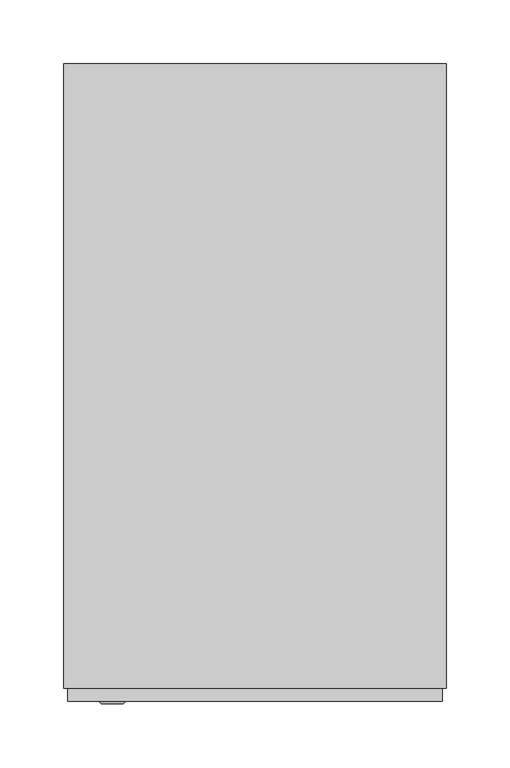
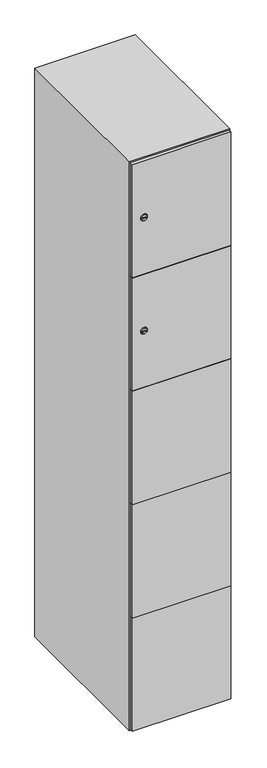
"""IFC4 building model written with IfcOpenShell, lengths in millimetres: furniture geometry."""

from ifc_helpers import new_model, si_unit, point, frame, frame_2d, origin, place, context, project, spatial, polyline, circle_curve, trimmed, segment, composite_curve, outline, extrude, faceted_brep, source, transform, mapped, element, save
from ifc_brep_helpers import plane_surface, revolved_surface, advanced_brep


def furniture_93ae1f44(model_context):
    return source(origin(), model_context, "Body", "SolidModel", [
        advanced_brep(
        [(-153.5, -257.2, 1358.8), (-170.5, -257.2, 1358.8), (-167.0, -257.2, 1357.55), (-167.0, -257.2, 1360.05), (-157.0, -257.2, 1360.05), (-157.0, -257.2, 1357.55), (-151.5, -255.0, 1358.8), (-172.5, -255.0, 1358.8), (-167.0, -255.0, 1360.05), (-167.0, -255.0, 1357.55), (-157.0, -255.0, 1357.55), (-157.0, -255.0, 1360.05)],
        [
            (0, 1, circle_curve(frame((-162.0, -257.2, 1358.8), z_axis=(0.0, -1.0, 0.0), x_axis=(1.0, 0.0, 0.0)), 8.5)),
            (1, 0, circle_curve(frame((-162.0, -257.2, 1358.8), z_axis=(0.0, -1.0, 0.0), x_axis=(-1.0, 0.0, 0.0)), 8.5)),
            (2, 3),
            (3, 4),
            (4, 5),
            (5, 2),
            (6, 7, circle_curve(frame((-162.0, -255.0, 1358.8), z_axis=(0.0, 1.0, 0.0), x_axis=(-1.0, 0.0, 0.0)), 10.5)),
            (7, 6, circle_curve(frame((-162.0, -255.0, 1358.8), z_axis=(0.0, 1.0, 0.0), x_axis=(1.0, 0.0, 0.0)), 10.5)),
            (8, 9),
            (9, 10),
            (10, 11),
            (11, 8),
            (0, 6),
            (7, 1),
            (8, 3),
            (2, 9),
            (11, 4),
            (10, 5),
        ],
        [
            plane_surface(frame((-162.0, -257.2, 1358.8), z_axis=(0.0, -1.0, 0.0), x_axis=(0.0, 0.0, 1.0))),
            plane_surface(frame((-162.0, -255.0, 1358.8), z_axis=(0.0, 1.0, 0.0), x_axis=(0.0, 0.0, 1.0))),
            revolved_surface(polyline([(-153.5, -257.2, 1358.8), (-151.5, -255.0, 1358.8)]), (-162.0, -266.55, 1358.8), (0.0, 1.0, 0.0)),
            revolved_surface(polyline([(-170.5, -257.2, 1358.8), (-172.5, -255.0, 1358.8)]), (-162.0, -266.55, 1358.8), (0.0, 1.0, 0.0)),
            plane_surface(frame((-167.0, -255.0, 1357.55), z_axis=(1.0, 0.0, 0.0), x_axis=(0.0, -1.0, 0.0))),
            plane_surface(frame((-167.0, -255.0, 1360.05), z_axis=(0.0, 0.0, -1.0), x_axis=(0.0, -1.0, 0.0))),
            plane_surface(frame((-157.0, -255.0, 1360.05), z_axis=(-1.0, 0.0, 0.0), x_axis=(0.0, -1.0, 0.0))),
            plane_surface(frame((-157.0, -255.0, 1357.55), z_axis=(0.0, 0.0, 1.0), x_axis=(0.0, -1.0, 0.0))),
        ],
        [
            (0, [[1, 2], [3, 4, 5, 6]]),
            (1, [[7, 8], [9, 10, 11, 12]]),
            (2, [[-1, 13, -8, 14]]),
            (3, [[-2, -14, -7, -13]]),
            (4, [[15, -3, 16, -9]]),
            (5, [[-15, -12, 17, -4]]),
            (6, [[-17, -11, 18, -5]]),
            (7, [[-16, -6, -18, -10]]),
        ],
    ),
        extrude(outline(composite_curve([segment(trimmed(circle_curve(frame_2d((1717.6, -188.7989466)), 7.0), [point((1724.6, -188.7989466))], [point((1710.6, -188.7989466))], False, "CARTESIAN"), True, "CONTINUOUS"), segment(polyline([(1710.6, -188.7989466), (1710.6, -160.7989466)]), True, "CONTINUOUS"), segment(trimmed(circle_curve(frame_2d((1717.6, -160.7989466)), 7.0), [point((1710.6, -160.7989466))], [point((1724.6, -160.7989466))], False, "CARTESIAN"), True, "CONTINUOUS"), segment(polyline([(1724.6, -160.7989466), (1724.6, -188.7989466)]), True, "CONTINUOUS")], self_intersect=False)), frame((0.0, -245.0, 0.0), z_axis=(0.0, 1.0, 0.0), x_axis=(0.0, 0.0, 1.0)), (0.0, 0.0, 1.0), 2.0),
        advanced_brep(
        [(-153.5, -257.2, 1717.6), (-170.5, -257.2, 1717.6), (-167.0, -257.2, 1716.35), (-167.0, -257.2, 1718.85), (-157.0, -257.2, 1718.85), (-157.0, -257.2, 1716.35), (-151.5, -255.0, 1717.6), (-172.5, -255.0, 1717.6), (-167.0, -255.0, 1718.85), (-167.0, -255.0, 1716.35), (-157.0, -255.0, 1716.35), (-157.0, -255.0, 1718.85)],
        [
            (0, 1, circle_curve(frame((-162.0, -257.2, 1717.6), z_axis=(0.0, -1.0, 0.0), x_axis=(1.0, 0.0, 0.0)), 8.5)),
            (1, 0, circle_curve(frame((-162.0, -257.2, 1717.6), z_axis=(0.0, -1.0, 0.0), x_axis=(-1.0, 0.0, 0.0)), 8.5)),
            (2, 3),
            (3, 4),
            (4, 5),
            (5, 2),
            (6, 7, circle_curve(frame((-162.0, -255.0, 1717.6), z_axis=(0.0, 1.0, 0.0), x_axis=(-1.0, 0.0, 0.0)), 10.5)),
            (7, 6, circle_curve(frame((-162.0, -255.0, 1717.6), z_axis=(0.0, 1.0, 0.0), x_axis=(1.0, 0.0, 0.0)), 10.5)),
            (8, 9),
            (9, 10),
            (10, 11),
            (11, 8),
            (0, 6),
            (7, 1),
            (8, 3),
            (2, 9),
            (11, 4),
            (10, 5),
        ],
        [
            plane_surface(frame((-162.0, -257.2, 1717.6), z_axis=(0.0, -1.0, 0.0), x_axis=(0.0, 0.0, 1.0))),
            plane_surface(frame((-162.0, -255.0, 1717.6), z_axis=(0.0, 1.0, 0.0), x_axis=(0.0, 0.0, 1.0))),
            revolved_surface(polyline([(-153.5, -257.2, 1717.6), (-151.5, -255.0, 1717.6)]), (-162.0, -266.55, 1717.6), (0.0, 1.0, 0.0)),
            revolved_surface(polyline([(-170.5, -257.2, 1717.6), (-172.5, -255.0, 1717.6)]), (-162.0, -266.55, 1717.6), (0.0, 1.0, 0.0)),
            plane_surface(frame((-167.0, -255.0, 1716.35), z_axis=(1.0, 0.0, 0.0), x_axis=(0.0, -1.0, 0.0))),
            plane_surface(frame((-167.0, -255.0, 1718.85), z_axis=(0.0, 0.0, -1.0), x_axis=(0.0, -1.0, 0.0))),
            plane_surface(frame((-157.0, -255.0, 1718.85), z_axis=(-1.0, 0.0, 0.0), x_axis=(0.0, -1.0, 0.0))),
            plane_surface(frame((-157.0, -255.0, 1716.35), z_axis=(0.0, 0.0, 1.0), x_axis=(0.0, -1.0, 0.0))),
        ],
        [
            (0, [[1, 2], [3, 4, 5, 6]]),
            (1, [[7, 8], [9, 10, 11, 12]]),
            (2, [[-1, 13, -8, 14]]),
            (3, [[-2, -14, -7, -13]]),
            (4, [[15, -3, 16, -9]]),
            (5, [[-15, -12, 17, -4]]),
            (6, [[-17, -11, 18, -5]]),
            (7, [[-16, -6, -18, -10]]),
        ],
    ),
        extrude(outline(polyline([(97.0, -245.0), (97.0, -255.0), (-197.0, -255.0), (-197.0, -245.0), (97.0, -245.0)])), frame((0.0, 0.0, 820.1), z_axis=(0.0, 0.0, 1.0), x_axis=(1.0, 0.0, 0.0)), (0.0, 0.0, 1.0), 359.8),
        extrude(outline(polyline([(97.0, -245.0), (97.0, -255.0), (-197.0, -255.0), (-197.0, -245.0), (97.0, -245.0)])), frame((0.0, 0.0, 461.3), z_axis=(0.0, 0.0, 1.0), x_axis=(1.0, 0.0, 0.0)), (0.0, 0.0, 1.0), 359.8),
        extrude(outline(polyline([(97.0, -245.0), (97.0, -255.0), (-197.0, -255.0), (-197.0, -245.0), (97.0, -245.0)])), frame((0.0, 0.0, 1178.9), z_axis=(0.0, 0.0, 1.0), x_axis=(1.0, 0.0, 0.0)), (0.0, 0.0, 1.0), 358.8),
        extrude(outline(polyline([(-197.0, -255.0), (-197.0, -245.0), (97.0, -245.0), (97.0, -255.0), (-197.0, -255.0)])), frame((0.0, 0.0, 1538.7), z_axis=(0.0, 0.0, 1.0), x_axis=(1.0, 0.0, 0.0)), (0.0, 0.0, 1.0), 358.3),
        extrude(outline(polyline([(97.0, -245.0), (97.0, -255.0), (-197.0, -255.0), (-197.0, -245.0), (97.0, -245.0)])), frame((0.0, 0.0, 103.0), z_axis=(0.0, 0.0, 1.0), x_axis=(1.0, 0.0, 0.0)), (0.0, 0.0, 1.0), 359.3),
        extrude(outline(polyline([(90.0, 241.0), (90.0, -235.0), (-190.0, -235.0), (-190.0, 241.0), (90.0, 241.0)])), frame((0.0, 0.0, 1529.0), z_axis=(0.0, 0.0, 1.0), x_axis=(1.0, 0.0, 0.0)), (0.0, 0.0, 1.0), 10.0),
        extrude(outline(polyline([(90.0, 241.0), (90.0, -235.0), (-190.0, -235.0), (-190.0, 241.0), (90.0, 241.0)])), frame((0.0, 0.0, 1173.0), z_axis=(0.0, 0.0, 1.0), x_axis=(1.0, 0.0, 0.0)), (0.0, 0.0, 1.0), 10.0),
        extrude(outline(polyline([(90.0, 241.0), (90.0, -235.0), (-190.0, -235.0), (-190.0, 241.0), (90.0, 241.0)])), frame((0.0, 0.0, 817.0), z_axis=(0.0, 0.0, 1.0), x_axis=(1.0, 0.0, 0.0)), (0.0, 0.0, 1.0), 10.0),
        extrude(outline(polyline([(-190.0, 241.0), (90.0, 241.0), (90.0, -235.0), (-190.0, -235.0), (-190.0, 241.0)])), frame((0.0, 0.0, 461.0), z_axis=(0.0, 0.0, 1.0), x_axis=(1.0, 0.0, 0.0)), (0.0, 0.0, 1.0), 10.0),
        faceted_brep([(100.0, -245.0, 100.0), (100.0, -245.0, 1900.0), (-200.0, -245.0, 1900.0), (-200.0, -245.0, 100.0), (90.0, -245.0, 1890.0), (90.0, -245.0, 110.0), (-190.0, -245.0, 110.0), (-190.0, -245.0, 1890.0), (100.0, 245.0, 100.0), (-200.0, 245.0, 100.0), (100.0, 245.0, 1900.0), (-200.0, 245.0, 1900.0), (90.0, 241.0, 1890.0), (90.0, 241.0, 110.0), (-200.0, 245.0, 1890.0), (-190.0, 241.0, 1890.0), (-190.0, 241.0, 110.0)], [[[0, 1, 2, 3], [4, 5, 6, 7]], [[8, 0, 3, 9]], [[1, 0, 8, 10]], [[1, 10, 11, 2]], [[4, 12, 13, 5]], [[9, 3, 2, 11, 14]], [[10, 8, 9, 14, 11]], [[12, 15, 16, 13]], [[15, 7, 6, 16]], [[4, 7, 15, 12]], [[6, 5, 13, 16]]]),
    ])


if __name__ == "__main__":
    model = new_model("IFC4")
    model_context = context("Model", 3, world=origin())
    ifc_project = project(units=[si_unit("LENGTHUNIT", "METRE", prefix="MILLI")], contexts=[model_context])
    site = spatial("IfcSite", under=ifc_project)
    building = spatial("IfcBuilding", under=site)
    placement = place(None, origin())
    furniture_shape = furniture_93ae1f44(model_context)
    element("IfcFurniture", 1, at=placement, inside=building, context=model_context, shape_type="MappedRepresentation", body=[
        mapped(furniture_shape, transform((0.0, 0.0, 0.0), x_axis=(1.0, 0.0, 0.0), y_axis=(0.0, 1.0, 0.0), z_axis=(0.0, 0.0, 1.0))),
    ])
    save(model, "model.ifc")
